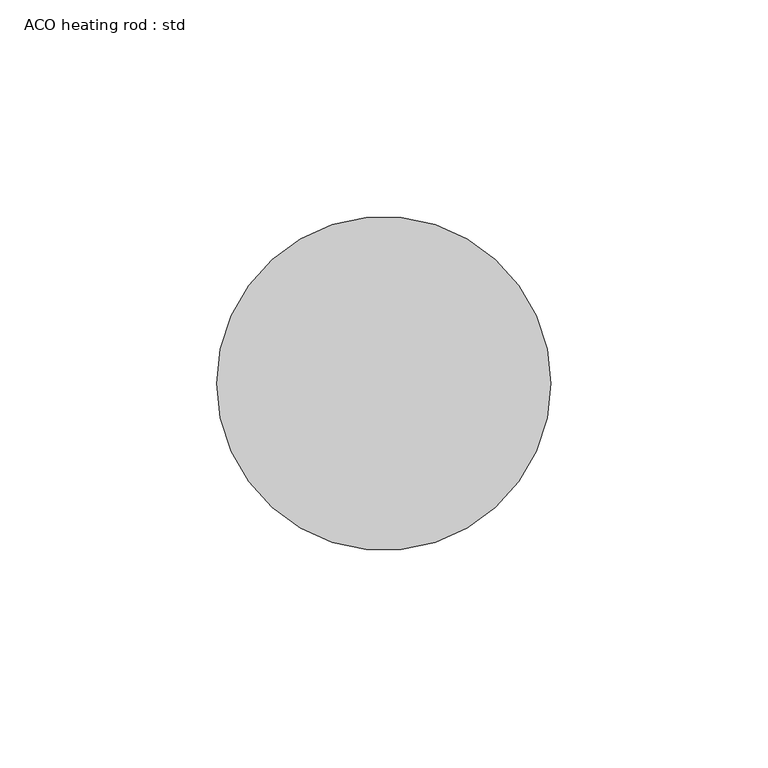
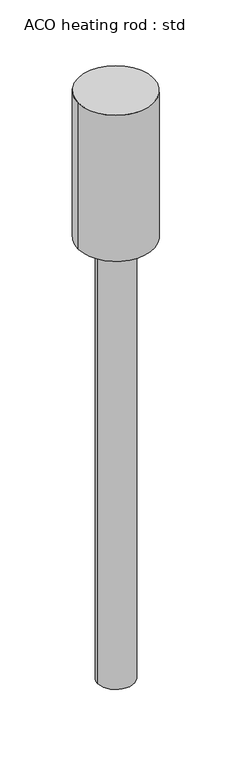
"""IFC4 building model written with IfcOpenShell, lengths in millimetres: unitary equipment geometry, ACO heating rod : std."""

from ifc_helpers import new_model, si_unit, point, frame, origin, origin_2d, place, context, project, spatial, circle_curve, trimmed, segment, composite_curve, outline, extrude, source, transform, mapped, element, save


def aco_heating_rod_std_bcf9d813(model_context):
    return source(origin(), model_context, "Body", "SweptSolid", [
        extrude(outline(composite_curve([segment(trimmed(circle_curve(origin_2d(), 18.5), [point((-18.5, 0.0))], [point((18.5, 0.0))], False, "CARTESIAN"), True, "CONTINUOUS"), segment(trimmed(circle_curve(origin_2d(), 18.5), [point((18.5, 0.0))], [point((-18.5, 0.0))], False, "CARTESIAN"), True, "CONTINUOUS")], self_intersect=False)), frame((0.0, 0.0, -502.0), z_axis=(0.0, 0.0, 1.0), x_axis=(1.0, 0.0, 0.0)), (0.0, 0.0, 1.0), 477.0),
        extrude(outline(composite_curve([segment(trimmed(circle_curve(origin_2d(), 38.5), [point((-38.5, 0.0))], [point((38.5, 0.0))], False, "CARTESIAN"), True, "CONTINUOUS"), segment(trimmed(circle_curve(origin_2d(), 38.5), [point((38.5, 0.0))], [point((-38.5, 0.0))], False, "CARTESIAN"), True, "CONTINUOUS")], self_intersect=False)), frame((0.0, 0.0, -25.0), z_axis=(0.0, 0.0, 1.0), x_axis=(1.0, 0.0, 0.0)), (0.0, 0.0, 1.0), 158.0),
    ])


if __name__ == "__main__":
    model = new_model("IFC4")
    model_context = context("Model", 3, world=origin())
    ifc_project = project(units=[si_unit("LENGTHUNIT", "METRE", prefix="MILLI")], contexts=[model_context])
    site = spatial("IfcSite", under=ifc_project)
    building = spatial("IfcBuilding", under=site)
    placement = place(None, origin())
    aco_heating_rod_std_shape = aco_heating_rod_std_bcf9d813(model_context)
    element("IfcUnitaryEquipment", 1, ObjectType="ACO heating rod : std", at=placement, inside=building, context=model_context, shape_type="MappedRepresentation", body=[
        mapped(aco_heating_rod_std_shape, transform((0.0, 0.0, 0.0), x_axis=(1.0, 0.0, 0.0), y_axis=(0.0, 1.0, 0.0), z_axis=(0.0, 0.0, 1.0))),
    ])
    save(model, "model.ifc")
